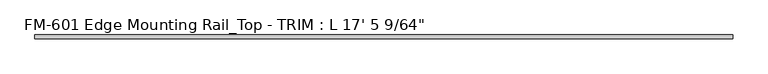
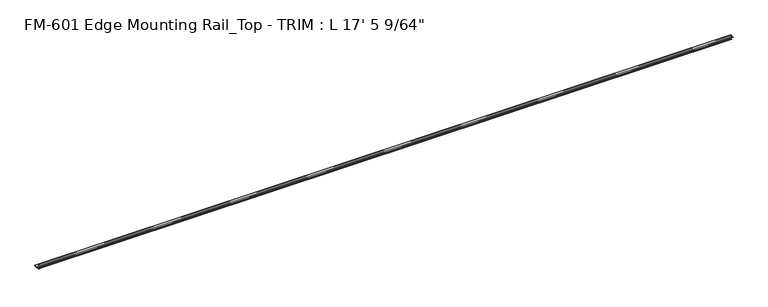
"""IFC4 building model written with IfcOpenShell, lengths in millimetres: proxy geometry."""

from ifc_helpers import new_model, si_unit, frame, origin, place, context, project, spatial, polyline, circle_curve, source, transform, mapped, element, save
from ifc_brep_helpers import plane_surface, cylinder_surface, revolved_surface, advanced_brep


def proxy_2dc75863(model_context):
    return source(origin(), model_context, "Body", "AdvancedBrep", [
        advanced_brep(
        [(5312.171875, 13.6400687, -32.1158903), (5312.171875, 15.4750158, -32.6885982), (5312.171875, 16.1549378, -32.2686835), (5312.171875, 16.1549378, -30.7270734), (5312.171875, 17.7424378, -29.1395734), (5312.171875, 19.05, -29.1395734), (5312.171875, 19.05, 0.0), (5312.171875, -9.456951, 0.0), (5312.171875, -9.456951, -1.5873364), (5312.171875, -5.5865429, -1.5873364), (5312.171875, -2.4369429, -1.5873364), (5312.171875, 2.0601553, -1.5873364), (5312.171875, 5.1950157, -1.6005415), (5312.171875, 15.5573314, -1.6102595), (5312.171875, 17.4625, -3.5152595), (5312.171875, 17.4625, -12.4909614), (5312.171875, 17.9716639, -13.408381), (5312.171875, 17.9716639, -14.7485418), (5312.171875, 17.4625, -15.6659614), (5312.171875, 17.4625, -26.8535734), (5312.171875, 16.9376166, -27.3612928), (5312.171875, 16.1779173, -26.4138515), (5312.171875, 15.4364113, -25.7360779), (5312.171875, 13.6400687, -26.2967369), (5312.171875, 11.9462301, -30.7938136), (0.0, 19.05, -1.6102595), (0.0, 5.1950157, -1.6005415), (0.0, 2.0601553, -1.5873364), (0.0, -2.4369429, -1.5873364), (0.0, -5.5865429, -1.5873364), (0.0, -9.456951, -1.5873364), (0.0, -9.456951, 0.0), (0.0, 19.05, 0.0), (25.4, 13.6400687, -32.1158903), (25.4, 15.4750158, -32.6885982), (25.4, 16.1549378, -32.2686835), (25.4, 16.1549378, -30.7270734), (25.4, 17.7424378, -29.1395734), (25.4, 19.05, -29.1395734), (25.4, 19.05, -1.6102595), (25.4, 15.5573314, -1.6102595), (25.4, 17.4625, -3.5152595), (25.4, 17.4625, -12.4909614), (25.4, 17.9716639, -13.408381), (25.4, 17.9716639, -14.7485418), (25.4, 17.4625, -15.6659614), (25.4, 17.4625, -26.8535734), (25.4, 16.9376166, -27.3612928), (25.4, 16.1779173, -26.4138515), (25.4, 15.4364113, -25.7360779), (25.4, 13.6400687, -26.2967369), (25.4, 11.9462301, -30.7938136)],
        [
            (0, 1),
            (1, 2, circle_curve(frame((5312.171875, 15.6853088, -32.2686835), z_axis=(1.0, 0.0, 0.0), x_axis=(0.0, -1.0, 0.0)), 0.4696291)),
            (2, 3),
            (3, 4, circle_curve(frame((5312.171875, 17.7424378, -30.7270734), z_axis=(-1.0, 0.0, 0.0), x_axis=(0.0, -1.0, 0.0)), 1.5875)),
            (4, 5),
            (5, 6),
            (6, 7),
            (7, 8),
            (8, 9),
            (9, 10, circle_curve(frame((5312.171875, -4.0117429, -1.5873364), z_axis=(1.0, 0.0, 0.0), x_axis=(0.0, -1.0, 0.0)), 1.5748)),
            (10, 11),
            (11, 12, circle_curve(frame((5312.171875, 3.6276133, -1.5873364), z_axis=(1.0, 0.0, 0.0), x_axis=(0.0, -1.0, 0.0)), 1.567458)),
            (12, 13),
            (13, 14, circle_curve(frame((5312.171875, 15.5575, -3.5152595), z_axis=(-1.0, 0.0, 0.0), x_axis=(0.0, -1.0, 0.0)), 1.905)),
            (14, 15),
            (15, 16),
            (16, 17),
            (17, 18),
            (18, 19),
            (19, 20, circle_curve(frame((5312.171875, 16.9545, -26.8535734), z_axis=(-1.0, 0.0, 0.0), x_axis=(0.0, -1.0, 0.0)), 0.508)),
            (20, 21, circle_curve(frame((5312.171875, 16.9169378, -26.5995734), z_axis=(-1.0, 0.0, 0.0), x_axis=(0.0, -1.0, 0.0)), 0.762)),
            (21, 22, circle_curve(frame((5312.171875, 15.6245238, -26.2747792), z_axis=(1.0, 0.0, 0.0), x_axis=(0.0, -1.0, 0.0)), 0.5706009)),
            (22, 23),
            (23, 24, circle_curve(frame((5312.171875, 14.5481808, -29.2063136), z_axis=(1.0, 0.0, 0.0), x_axis=(0.0, -1.0, 0.0)), 3.048)),
            (24, 0, circle_curve(frame((5312.171875, 14.5481808, -29.2063136), z_axis=(1.0, 0.0, 0.0), x_axis=(0.0, -1.0, 0.0)), 3.048)),
            (25, 26),
            (26, 27, circle_curve(frame((0.0, 3.6276133, -1.5873364), z_axis=(-1.0, 0.0, 0.0), x_axis=(0.0, -1.0, 0.0)), 1.567458)),
            (27, 28),
            (28, 29, circle_curve(frame((0.0, -4.0117429, -1.5873364), z_axis=(-1.0, 0.0, 0.0), x_axis=(0.0, -1.0, 0.0)), 1.5748)),
            (29, 30),
            (30, 31),
            (31, 32),
            (32, 25),
            (0, 33),
            (33, 34),
            (34, 1),
            (34, 35, circle_curve(frame((25.4, 15.6853088, -32.2686835), z_axis=(1.0, 0.0, 0.0), x_axis=(0.0, -1.0, 0.0)), 0.4696291)),
            (35, 2),
            (35, 36),
            (36, 3),
            (36, 37, circle_curve(frame((25.4, 17.7424378, -30.7270734), z_axis=(-1.0, 0.0, 0.0), x_axis=(0.0, -1.0, 0.0)), 1.5875)),
            (37, 4),
            (37, 38),
            (38, 5),
            (38, 39),
            (39, 25),
            (32, 6),
            (31, 7),
            (13, 40),
            (40, 41, circle_curve(frame((25.4, 15.5575, -3.5152595), z_axis=(-1.0, 0.0, 0.0), x_axis=(0.0, -1.0, 0.0)), 1.905)),
            (41, 14),
            (41, 42),
            (42, 15),
            (42, 43),
            (43, 16),
            (43, 44),
            (44, 17),
            (44, 45),
            (45, 18),
            (45, 46),
            (46, 19),
            (46, 47, circle_curve(frame((25.4, 16.9545, -26.8535734), z_axis=(-1.0, 0.0, 0.0), x_axis=(0.0, -1.0, 0.0)), 0.508)),
            (47, 20),
            (47, 48, circle_curve(frame((25.4, 16.9169378, -26.5995734), z_axis=(-1.0, 0.0, 0.0), x_axis=(0.0, -1.0, 0.0)), 0.762)),
            (48, 21),
            (48, 49, circle_curve(frame((25.4, 15.6245238, -26.2747792), z_axis=(1.0, 0.0, 0.0), x_axis=(0.0, -1.0, 0.0)), 0.5706009)),
            (49, 22),
            (49, 50),
            (50, 23),
            (50, 51, circle_curve(frame((25.4, 14.5481808, -29.2063136), z_axis=(1.0, 0.0, 0.0), x_axis=(0.0, -1.0, 0.0)), 3.048)),
            (51, 24),
            (51, 33, circle_curve(frame((25.4, 14.5481808, -29.2063136), z_axis=(1.0, 0.0, 0.0), x_axis=(0.0, -1.0, 0.0)), 3.048)),
            (10, 28),
            (27, 11),
            (26, 12),
            (39, 40),
            (9, 29),
            (8, 30),
        ],
        [
            plane_surface(frame((5312.171875, 11.5001808, -29.2063136), z_axis=(1.0, 0.0, 0.0), x_axis=(0.0, 0.0, -1.0))),
            plane_surface(frame((0.0, 11.5001808, -29.2063136), z_axis=(-1.0, 0.0, 0.0), x_axis=(0.0, 0.0, 1.0))),
            plane_surface(frame((0.0, 15.4750158, -32.6885982), z_axis=(0.0, -0.2979370393092855, -0.9545855229405155), x_axis=(1.0, 0.0, 0.0))),
            cylinder_surface(frame((5312.171875, 15.6853088, -32.2686835), z_axis=(-1.0, 0.0, 0.0), x_axis=(0.0, -1.0, 0.0)), 0.4696291),
            plane_surface(frame((0.0, 16.1549378, -30.7270734), z_axis=(0.0, 1.0, 0.0), x_axis=(1.0, 0.0, 0.0))),
            revolved_surface(polyline([(5312.171875, 16.154937800000003, -30.7270734), (25.399999999999636, 16.154937800000003, -30.7270734)]), (5312.171875, 17.7424378, -30.7270734), (1.0, 0.0, 0.0)),
            plane_surface(frame((0.0, 19.05, -29.1395734), z_axis=(0.0, 0.0, -1.0), x_axis=(1.0, 0.0, 0.0))),
            plane_surface(frame((0.0, 19.05, 0.0), z_axis=(0.0, 1.0, 0.0), x_axis=(1.0, 0.0, 0.0))),
            plane_surface(frame((0.0, -9.456951, 0.0), z_axis=(0.0, 0.0, 1.0), x_axis=(1.0, 0.0, 0.0))),
            revolved_surface(polyline([(5312.171875, 13.6525, -3.5152595), (25.399999999999636, 13.6525, -3.5152595)]), (5312.171875, 15.5575, -3.5152595), (1.0, 0.0, 0.0)),
            plane_surface(frame((0.0, 17.4625, -12.4909614), z_axis=(0.0, -1.0, 0.0), x_axis=(1.0, 0.0, 0.0))),
            plane_surface(frame((0.0, 17.9716639, -13.408381), z_axis=(0.0, -0.8743650443659625, -0.48526875975165407), x_axis=(1.0, 0.0, 0.0))),
            plane_surface(frame((0.0, 17.9716639, -14.7485418), z_axis=(0.0, -1.0, 0.0), x_axis=(1.0, 0.0, 0.0))),
            plane_surface(frame((0.0, 17.4625, -15.6659614), z_axis=(0.0, -0.8743650443696195, 0.48526875974506484), x_axis=(1.0, 0.0, 0.0))),
            plane_surface(frame((0.0, 17.4625, -26.8535734), z_axis=(0.0, -1.0, 0.0), x_axis=(1.0, 0.0, 0.0))),
            revolved_surface(polyline([(5312.171875, 16.4465, -26.8535734), (25.399999999999636, 16.4465, -26.8535734)]), (5312.171875, 16.9545, -26.8535734), (1.0, 0.0, 0.0)),
            revolved_surface(polyline([(5312.171875, 16.1549378, -26.5995734), (25.399999999999636, 16.1549378, -26.5995734)]), (5312.171875, 16.9169378, -26.5995734), (1.0, 0.0, 0.0)),
            cylinder_surface(frame((5312.171875, 15.6245238, -26.2747792), z_axis=(-1.0, 0.0, 0.0), x_axis=(0.0, -1.0, 0.0)), 0.5706009),
            plane_surface(frame((0.0, 13.6400687, -26.2967369), z_axis=(0.0, -0.2979370393103123, 0.9545855229401949), x_axis=(1.0, 0.0, 0.0))),
            cylinder_surface(frame((5312.171875, 14.5481808, -29.2063136), z_axis=(-1.0, 0.0, 0.0), x_axis=(0.0, -1.0, 0.0)), 3.048),
            plane_surface(frame((0.0, 2.0601553, -1.5873364), z_axis=(0.0, 0.0, -1.0), x_axis=(1.0, 0.0, 0.0))),
            cylinder_surface(frame((5312.171875, 3.6276133, -1.5873364), z_axis=(-1.0, 0.0, 0.0), x_axis=(0.0, -1.0, 0.0)), 1.567458),
            plane_surface(frame((0.0, 15.5573314, -1.6102595), z_axis=(0.0, -0.0009378209571488202, -0.9999995602458295), x_axis=(1.0, 0.0, 0.0))),
            cylinder_surface(frame((5312.171875, -4.0117429, -1.5873364), z_axis=(-1.0, 0.0, 0.0), x_axis=(0.0, -1.0, 0.0)), 1.5748),
            plane_surface(frame((0.0, -5.5865429, -1.5873364), z_axis=(0.0, 0.0, -1.0), x_axis=(1.0, 0.0, 0.0))),
            plane_surface(frame((0.0, -9.456951, -1.5873364), z_axis=(0.0, -1.0, 0.0), x_axis=(1.0, 0.0, 0.0))),
            plane_surface(frame((25.4, 9.8252554, -33.7628807), z_axis=(-1.0, 0.0, 0.0), x_axis=(0.0, 1.0, 0.0))),
        ],
        [
            (0, [[1, 2, 3, 4, 5, 6, 7, 8, 9, 10, 11, 12, 13, 14, 15, 16, 17, 18, 19, 20, 21, 22, 23, 24, 25]]),
            (1, [[26, 27, 28, 29, 30, 31, 32, 33]]),
            (2, [[-1, 34, 35, 36]]),
            (3, [[-2, -36, 37, 38]]),
            (4, [[-3, -38, 39, 40]]),
            (5, [[-4, -40, 41, 42]]),
            (6, [[-5, -42, 43, 44]]),
            (7, [[-6, -44, 45, 46, -33, 47]]),
            (8, [[-7, -47, -32, 48]]),
            (9, [[-14, 49, 50, 51]]),
            (10, [[-15, -51, 52, 53]]),
            (11, [[-16, -53, 54, 55]]),
            (12, [[-17, -55, 56, 57]]),
            (13, [[-18, -57, 58, 59]]),
            (14, [[-19, -59, 60, 61]]),
            (15, [[-20, -61, 62, 63]]),
            (16, [[-21, -63, 64, 65]]),
            (17, [[-22, -65, 66, 67]]),
            (18, [[-23, -67, 68, 69]]),
            (19, [[-24, -69, 70, 71]]),
            (19, [[-25, -71, 72, -34]]),
            (20, [[-11, 73, -28, 74]]),
            (21, [[-12, -74, -27, 75]]),
            (22, [[-13, -75, -26, -46, 76, -49]]),
            (23, [[-10, 77, -29, -73]]),
            (24, [[-9, 78, -30, -77]]),
            (25, [[-8, -48, -31, -78]]),
            (26, [[-76, -45, -43, -41, -39, -37, -35, -72, -70, -68, -66, -64, -62, -60, -58, -56, -54, -52, -50]]),
        ],
    ),
    ])


if __name__ == "__main__":
    model = new_model("IFC4")
    model_context = context("Model", 3, world=origin())
    ifc_project = project(units=[si_unit("LENGTHUNIT", "METRE", prefix="MILLI")], contexts=[model_context])
    site = spatial("IfcSite", under=ifc_project)
    building = spatial("IfcBuilding", under=site)
    placement = place(None, origin())
    proxy_shape = proxy_2dc75863(model_context)
    element("IfcBuildingElementProxy", 1, Name="FM-601 Edge Mounting Rail_Top - TRIM : L 17' 5 9/64\"", ObjectType="FM-601 Edge Mounting Rail_Top - TRIM : L 17' 5 9/64\"", at=placement, inside=building, context=model_context, shape_type="MappedRepresentation", body=[
        mapped(proxy_shape, transform((0.0, 0.0, 0.0), x_axis=(1.0, 0.0, 0.0), y_axis=(0.0, 1.0, 0.0), z_axis=(0.0, 0.0, 1.0))),
    ])
    save(model, "model.ifc")
